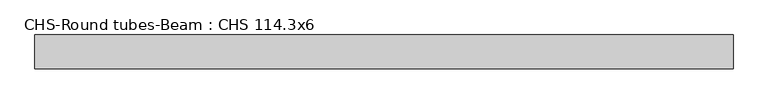
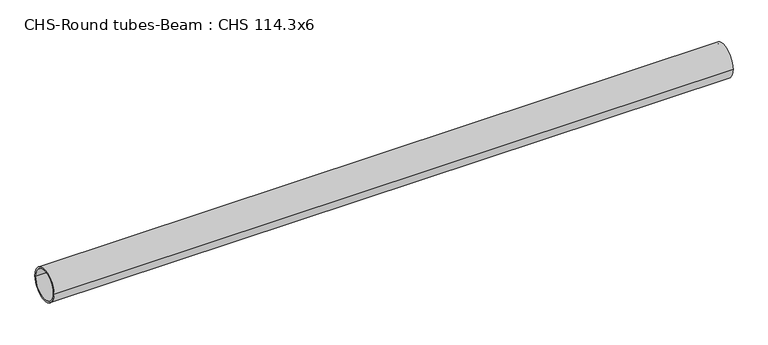
"""IFC4 building model written with IfcOpenShell, lengths in millimetres: beam geometry, CHS-Round tubes-Beam : CHS 114.3x6."""

from ifc_helpers import new_model, si_unit, point, frame, origin, origin_2d, place, context, project, spatial, circle_curve, trimmed, segment, composite_curve, outline, extrude, source, transform, mapped, element, save


def chs_round_tubes_beam_chs_114_3x6_e0e253e2(model_context):
    return source(origin(), model_context, "Body", "SweptSolid", [
        extrude(outline(composite_curve([segment(trimmed(circle_curve(origin_2d(), 57.15), [point((57.15, 0.0))], [point((-57.15, 0.0))], False, "CARTESIAN"), True, "CONTINUOUS"), segment(trimmed(circle_curve(origin_2d(), 57.15), [point((-57.15, 0.0))], [point((57.15, 0.0))], False, "CARTESIAN"), True, "CONTINUOUS")], self_intersect=False), holes=[composite_curve([segment(trimmed(circle_curve(origin_2d(), 51.15), [point((51.15, 0.0))], [point((-51.15, 0.0))], True, "CARTESIAN"), True, "CONTINUOUS"), segment(trimmed(circle_curve(origin_2d(), 51.15), [point((-51.15, 0.0))], [point((51.15, 0.0))], True, "CARTESIAN"), True, "CONTINUOUS")], self_intersect=False)]), frame((-1157.7472553, 0.0, 0.0), z_axis=(1.0, 0.0, 0.0), x_axis=(0.0, 1.0, 0.0)), (0.0, 0.0, 1.0), 2360.0284829),
    ])


if __name__ == "__main__":
    model = new_model("IFC4")
    model_context = context("Model", 3, world=origin())
    ifc_project = project(units=[si_unit("LENGTHUNIT", "METRE", prefix="MILLI")], contexts=[model_context])
    site = spatial("IfcSite", under=ifc_project)
    building = spatial("IfcBuilding", under=site)
    placement = place(None, origin())
    chs_round_tubes_beam_chs_114_3x6_shape = chs_round_tubes_beam_chs_114_3x6_e0e253e2(model_context)
    element("IfcBeam", 1, ObjectType="CHS-Round tubes-Beam : CHS 114.3x6", at=placement, inside=building, context=model_context, shape_type="MappedRepresentation", body=[
        mapped(chs_round_tubes_beam_chs_114_3x6_shape, transform((0.0, 0.0, 0.0), x_axis=(1.0, 0.0, 0.0), y_axis=(0.0, 1.0, 0.0), z_axis=(0.0, 0.0, 1.0))),
    ])
    save(model, "model.ifc")
